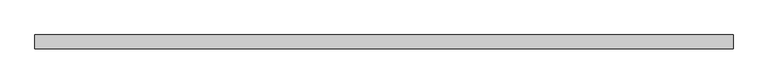
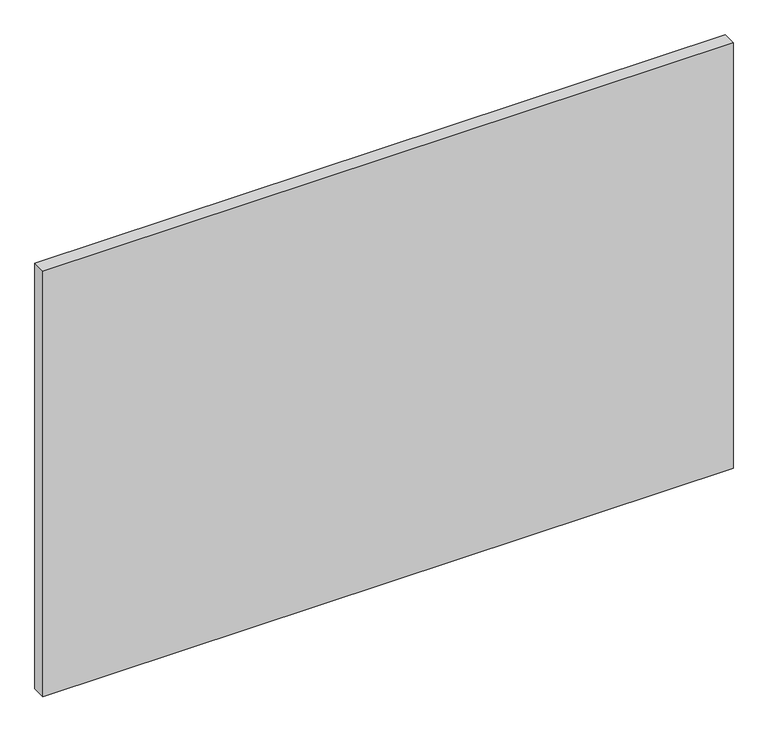
"""IFC4 building model written with IfcOpenShell, lengths in millimetres: plate geometry."""

from ifc_helpers import new_model, si_unit, origin, origin_with_axes, place, context, project, spatial, polyline, outline, extrude, source, transform, mapped, element, save


def plate_7bb3ddba(model_context):
    return source(origin(), model_context, "Body", "SweptSolid", [
        extrude(outline(polyline([(877.8125, -17.5), (-877.8125, -17.5), (-877.8125, 17.5), (877.8125, 17.5), (877.8125, -17.5)])), origin_with_axes(), (0.0, 0.0, 1.0), 1143.8125),
    ])


if __name__ == "__main__":
    model = new_model("IFC4")
    model_context = context("Model", 3, world=origin())
    ifc_project = project(units=[si_unit("LENGTHUNIT", "METRE", prefix="MILLI")], contexts=[model_context])
    site = spatial("IfcSite", under=ifc_project)
    building = spatial("IfcBuilding", under=site)
    placement = place(None, origin())
    plate_shape = plate_7bb3ddba(model_context)
    element("IfcPlate", 1, at=placement, inside=building, context=model_context, shape_type="MappedRepresentation", body=[
        mapped(plate_shape, transform((0.0, 0.0, 0.0), x_axis=(1.0, 0.0, 0.0), y_axis=(0.0, 1.0, 0.0), z_axis=(0.0, 0.0, 1.0))),
    ])
    save(model, "model.ifc")
